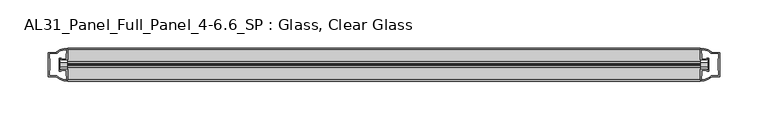
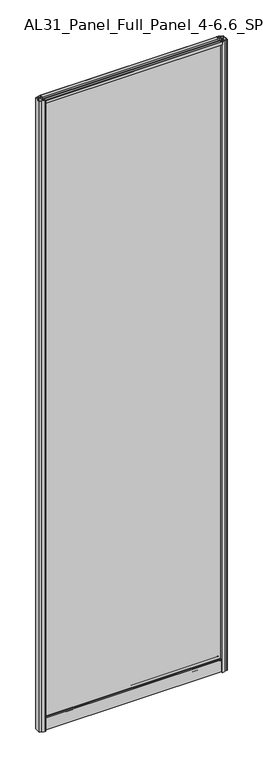
"""IFC4 building model written with IfcOpenShell, lengths in millimetres: plate geometry, AL31_Panel_Full_Panel_4-6.6_SP : Glass, Clear Glass."""

from ifc_helpers import new_model, si_unit, point, frame, frame_2d, origin, origin_with_axes, place, context, project, spatial, polyline, circle_curve, trimmed, segment, composite_curve, outline, extrude, source, transform, mapped, element, save


def al31_panel_full_panel_4_6_6_sp_glass_clear_glass_65c23ff5(model_context):
    return source(origin(), model_context, "Body", "SweptSolid", [
        extrude(outline(composite_curve([segment(polyline([(-1.4, 2468.8980762), (-0.85, 2467.9454483)]), True, "CONTINUOUS"), segment(trimmed(circle_curve(frame_2d((0.1, 2466.3)), 1.9), [point((-0.85, 2467.9454483))], [point((1.05, 2467.9454483))], True, "CARTESIAN"), True, "CONTINUOUS"), segment(polyline([(1.05, 2467.9454483), (1.6, 2468.8980762)]), True, "CONTINUOUS"), segment(trimmed(circle_curve(frame_2d((0.1, 2466.3)), 3.0), [point((1.6, 2468.8980762))], [point((2.5718414, 2464.6))], False, "CARTESIAN"), True, "CONTINUOUS"), segment(polyline([(2.5718414, 2464.6), (15.7, 2464.6), (15.7, 2474.0), (17.0, 2474.0), (17.0, 2463.5), (6.7024688, 2463.5), (6.7024688, 2462.7), (6.1968782, 2460.7785039), (6.1968782, 2456.1), (5.0, 2456.1), (5.0, 2461.4339746), (5.5, 2462.3), (5.5, 2463.5), (-5.5, 2463.5), (-5.5, 2462.3), (-5.0, 2461.4339746), (-5.0, 2456.1), (-6.1968782, 2456.1), (-6.1968782, 2460.7785039), (-6.7024688, 2462.7), (-6.7024688, 2463.5), (-17.0, 2463.5), (-17.0, 2474.0), (-15.7, 2474.0), (-15.7, 2464.6), (-2.3718414, 2464.6)]), True, "CONTINUOUS"), segment(trimmed(circle_curve(frame_2d((0.1, 2466.3)), 3.0), [point((-2.3718414, 2464.6))], [point((-1.4, 2468.8980762))], False, "CARTESIAN"), True, "CONTINUOUS")], self_intersect=False)), frame((-328.0405526, 0.0, 0.0), z_axis=(1.0, 0.0, 0.0), x_axis=(0.0, 1.0, 0.0)), (0.0, 0.0, 1.0), 656.0811053),
        extrude(outline(composite_curve([segment(polyline([(-335.881974, -5.9), (-334.681974, -5.9), (-334.681974, -5.0), (-328.0405526, -5.0), (-328.0405526, -17.0001453)]), True, "CONTINUOUS"), segment(trimmed(circle_curve(frame_2d((-327.675901, 2.9965302)), 20.0), [point((-328.0405526, -17.0001453))], [point((-339.3963879, -13.2093388))], False, "CARTESIAN"), True, "CONTINUOUS"), segment(polyline([(-339.3963879, -13.2093388), (-339.3963879, -12.3279343), (-348.0405526, -12.3279343), (-348.0405526, 12.3720657), (-339.3963879, 12.3720657), (-339.3963879, 13.2095249)]), True, "CONTINUOUS"), segment(trimmed(circle_curve(frame_2d((-327.675901, -2.9963441)), 20.0), [point((-339.3963879, 13.2095249))], [point((-328.0405526, 17.0003314))], False, "CARTESIAN"), True, "CONTINUOUS"), segment(polyline([(-328.0405526, 17.0003314), (-328.0405526, 5.0), (-334.681974, 5.0), (-334.681974, 5.9), (-335.881974, 5.9), (-335.881974, -5.9)]), True, "CONTINUOUS")], self_intersect=False), holes=[composite_curve([segment(trimmed(circle_curve(frame_2d((-334.881974, 5.7)), 1.5), [point((-334.881974, 7.2))], [point((-333.5267197, 6.3428731))], False, "CARTESIAN"), True, "CONTINUOUS"), segment(polyline([(-333.5267197, 6.3428731), (-329.781974, 6.3428731), (-329.781974, 10.939223), (-329.3426342, 11.9998832), (-329.3426342, 15.6499817)]), True, "CONTINUOUS"), segment(trimmed(circle_curve(frame_2d((-327.675901, -2.9755921)), 18.7), [point((-329.3426342, 15.6499817))], [point((-337.6826788, 12.8216987))], True, "CARTESIAN"), True, "CONTINUOUS"), segment(trimmed(circle_curve(frame_2d((-339.481974, 12.8720657)), 1.8), [point((-337.6826788, 12.8216987))], [point((-339.481974, 11.0720657))], False, "CARTESIAN"), True, "CONTINUOUS"), segment(polyline([(-339.481974, 11.0720657), (-346.6233953, 11.0720657), (-346.6233953, 6.5019606), (-346.181974, 5.439223), (-346.181974, -5.3950916), (-346.681974, -6.3879987), (-346.681974, -11.0279343), (-339.481974, -11.0279343)]), True, "CONTINUOUS"), segment(trimmed(circle_curve(frame_2d((-339.481974, -12.8279343)), 1.8), [point((-339.481974, -11.0279343))], [point((-337.6826788, -12.7775673))], False, "CARTESIAN"), True, "CONTINUOUS"), segment(trimmed(circle_curve(frame_2d((-327.675901, 3.0197235)), 18.7), [point((-337.6826788, -12.7775673))], [point((-329.3426342, -15.6058503))], True, "CARTESIAN"), True, "CONTINUOUS"), segment(polyline([(-329.3426342, -15.6058503), (-329.3426342, -11.9557518), (-329.781974, -10.8950916), (-329.781974, -6.2991308), (-333.5068223, -6.2991308)]), True, "CONTINUOUS"), segment(trimmed(circle_curve(frame_2d((-334.881974, -5.7)), 1.5), [point((-333.5068223, -6.2991308))], [point((-334.881974, -7.2))], False, "CARTESIAN"), True, "CONTINUOUS"), segment(polyline([(-334.881974, -7.2), (-337.181974, -7.2), (-337.181974, 7.2), (-334.881974, 7.2)]), True, "CONTINUOUS")], self_intersect=False)]), origin_with_axes(), (0.0, 0.0, 1.0), 2474.0),
        extrude(outline(composite_curve([segment(polyline([(335.881974, 5.9), (334.681974, 5.9), (334.681974, 5.0), (328.0405526, 5.0), (328.0405526, 17.0001453)]), True, "CONTINUOUS"), segment(trimmed(circle_curve(frame_2d((327.675901, -2.9965302)), 20.0), [point((328.0405526, 17.0001453))], [point((339.3963879, 13.2093388))], False, "CARTESIAN"), True, "CONTINUOUS"), segment(polyline([(339.3963879, 13.2093388), (339.3963879, 12.3279343), (348.0405526, 12.3279343), (348.0405526, -12.3720657), (339.3963879, -12.3720657), (339.3963879, -13.2095249)]), True, "CONTINUOUS"), segment(trimmed(circle_curve(frame_2d((327.675901, 2.9963441)), 20.0), [point((339.3963879, -13.2095249))], [point((328.0405526, -17.0003314))], False, "CARTESIAN"), True, "CONTINUOUS"), segment(polyline([(328.0405526, -17.0003314), (328.0405526, -5.0), (334.681974, -5.0), (334.681974, -5.9), (335.881974, -5.9), (335.881974, 5.9)]), True, "CONTINUOUS")], self_intersect=False), holes=[composite_curve([segment(trimmed(circle_curve(frame_2d((334.881974, -5.7)), 1.5), [point((334.881974, -7.2))], [point((333.5267197, -6.3428731))], False, "CARTESIAN"), True, "CONTINUOUS"), segment(polyline([(333.5267197, -6.3428731), (329.781974, -6.3428731), (329.781974, -10.939223), (329.3426342, -11.9998832), (329.3426342, -15.6499817)]), True, "CONTINUOUS"), segment(trimmed(circle_curve(frame_2d((327.675901, 2.9755921)), 18.7), [point((329.3426342, -15.6499817))], [point((337.6826788, -12.8216987))], True, "CARTESIAN"), True, "CONTINUOUS"), segment(trimmed(circle_curve(frame_2d((339.481974, -12.8720657)), 1.8), [point((337.6826788, -12.8216987))], [point((339.481974, -11.0720657))], False, "CARTESIAN"), True, "CONTINUOUS"), segment(polyline([(339.481974, -11.0720657), (346.6233953, -11.0720657), (346.6233953, -6.5019606), (346.181974, -5.439223), (346.181974, 5.3950916), (346.681974, 6.3879987), (346.681974, 11.0279343), (339.481974, 11.0279343)]), True, "CONTINUOUS"), segment(trimmed(circle_curve(frame_2d((339.481974, 12.8279343)), 1.8), [point((339.481974, 11.0279343))], [point((337.6826788, 12.7775673))], False, "CARTESIAN"), True, "CONTINUOUS"), segment(trimmed(circle_curve(frame_2d((327.675901, -3.0197235)), 18.7), [point((337.6826788, 12.7775673))], [point((329.3426342, 15.6058503))], True, "CARTESIAN"), True, "CONTINUOUS"), segment(polyline([(329.3426342, 15.6058503), (329.3426342, 11.9557518), (329.781974, 10.8950916), (329.781974, 6.2991308), (333.5068223, 6.2991308)]), True, "CONTINUOUS"), segment(trimmed(circle_curve(frame_2d((334.881974, 5.7)), 1.5), [point((333.5068223, 6.2991308))], [point((334.881974, 7.2))], False, "CARTESIAN"), True, "CONTINUOUS"), segment(polyline([(334.881974, 7.2), (337.181974, 7.2), (337.181974, -7.2), (334.881974, -7.2)]), True, "CONTINUOUS")], self_intersect=False)]), origin_with_axes(), (0.0, 0.0, 1.0), 2474.0),
        extrude(outline(composite_curve([segment(trimmed(circle_curve(frame_2d((-8.4, 34.8)), 1.0), [point((-8.4, 35.8))], [point((-9.4, 34.8))], True, "CARTESIAN"), True, "CONTINUOUS"), segment(polyline([(-9.4, 34.8), (-9.4, 33.5), (-5.0000303, 33.5), (-5.0000303, 32.3), (-9.4, 32.3), (-9.4, 0.0), (-10.6, 0.0), (-10.6, 47.3)]), True, "CONTINUOUS"), segment(trimmed(circle_curve(frame_2d((-8.6, 47.3)), 2.0), [point((-10.6, 47.3))], [point((-8.6, 49.3))], False, "CARTESIAN"), True, "CONTINUOUS"), segment(polyline([(-8.6, 49.3), (-5.0, 49.3), (-5.0, 41.9), (5.0, 41.9), (5.0, 49.3), (8.6, 49.3)]), True, "CONTINUOUS"), segment(trimmed(circle_curve(frame_2d((8.6, 47.3)), 2.0), [point((8.6, 49.3))], [point((10.6, 47.3))], False, "CARTESIAN"), True, "CONTINUOUS"), segment(polyline([(10.6, 47.3), (10.6, 0.0), (9.4, 0.0), (9.4, 32.3), (4.9999697, 32.3), (4.9999697, 33.5), (9.4, 33.5), (9.4, 34.8)]), True, "CONTINUOUS"), segment(trimmed(circle_curve(frame_2d((8.4, 34.8)), 1.0), [point((9.4, 34.8))], [point((8.4, 35.8))], True, "CARTESIAN"), True, "CONTINUOUS"), segment(polyline([(8.4, 35.8), (-8.4, 35.8)]), True, "CONTINUOUS")], self_intersect=False), holes=[composite_curve([segment(trimmed(circle_curve(frame_2d((5.5024688, 41.8)), 1.0), [point((6.5024688, 41.8))], [point((5.5024688, 40.8))], False, "CARTESIAN"), True, "CONTINUOUS"), segment(polyline([(5.5024688, 40.8), (2.8008965, 40.8), (2.8008965, 39.7274194), (1.8370508, 39.7274194)]), True, "CONTINUOUS"), segment(trimmed(circle_curve(frame_2d((0.0, 38.7)), 2.1048387), [point((1.8370508, 39.7274194))], [point((-1.8370508, 39.7274194))], True, "CARTESIAN"), True, "CONTINUOUS"), segment(polyline([(-1.8370508, 39.7274194), (-2.8008965, 39.7274194), (-2.8008965, 40.8), (-5.5024688, 40.8)]), True, "CONTINUOUS"), segment(trimmed(circle_curve(frame_2d((-5.5024688, 41.8)), 1.0), [point((-5.5024688, 40.8))], [point((-6.5024688, 41.8))], False, "CARTESIAN"), True, "CONTINUOUS"), segment(polyline([(-6.5024688, 41.8), (-6.5024688, 42.7)]), True, "CONTINUOUS"), segment(trimmed(circle_curve(frame_2d((-5.3024688, 42.7)), 1.2), [point((-6.5024688, 42.7))], [point((-6.1198184, 43.5786009))], False, "CARTESIAN"), True, "CONTINUOUS"), segment(polyline([(-6.1198184, 43.5786009), (-6.1198184, 48.2), (-8.4, 48.2)]), True, "CONTINUOUS"), segment(trimmed(circle_curve(frame_2d((-8.4, 47.2)), 1.0), [point((-8.4, 48.2))], [point((-9.4, 47.2))], True, "CARTESIAN"), True, "CONTINUOUS"), segment(polyline([(-9.4, 47.2), (-9.4, 37.04), (-2.8008965, 37.04), (-2.8008965, 38.0725806), (-1.8370508, 38.0725806)]), True, "CONTINUOUS"), segment(trimmed(circle_curve(frame_2d((0.0, 39.1)), 2.1048387), [point((-1.8370508, 38.0725806))], [point((1.8370508, 38.0725806))], True, "CARTESIAN"), True, "CONTINUOUS"), segment(polyline([(1.8370508, 38.0725806), (2.8008965, 38.0725806), (2.8008965, 37.04), (9.4, 37.04), (9.4, 47.2)]), True, "CONTINUOUS"), segment(trimmed(circle_curve(frame_2d((8.4, 47.2)), 1.0), [point((9.4, 47.2))], [point((8.4, 48.2))], True, "CARTESIAN"), True, "CONTINUOUS"), segment(polyline([(8.4, 48.2), (6.1198184, 48.2), (6.1198184, 43.7786009)]), True, "CONTINUOUS"), segment(trimmed(circle_curve(frame_2d((5.3024688, 42.9)), 1.2), [point((6.1198184, 43.7786009))], [point((6.5024688, 42.9))], False, "CARTESIAN"), True, "CONTINUOUS"), segment(polyline([(6.5024688, 42.9), (6.5024688, 41.8)]), True, "CONTINUOUS")], self_intersect=False)]), frame((-328.0405526, 0.0, 0.0), z_axis=(1.0, 0.0, 0.0), x_axis=(0.0, 1.0, 0.0)), (0.0, 0.0, 1.0), 656.0811053),
        extrude(outline(polyline([(335.881974, 2.0), (335.881974, -2.0), (-335.881974, -2.0), (-335.881974, 2.0), (335.881974, 2.0)])), frame((0.0, 0.0, 41.9), z_axis=(0.0, 0.0, 1.0), x_axis=(1.0, 0.0, 0.0)), (0.0, 0.0, 1.0), 2421.6),
    ])


if __name__ == "__main__":
    model = new_model("IFC4")
    model_context = context("Model", 3, world=origin())
    ifc_project = project(units=[si_unit("LENGTHUNIT", "METRE", prefix="MILLI")], contexts=[model_context])
    site = spatial("IfcSite", under=ifc_project)
    building = spatial("IfcBuilding", under=site)
    placement = place(None, origin())
    al31_panel_full_panel_4_6_6_sp_glass_clear_glass_shape = al31_panel_full_panel_4_6_6_sp_glass_clear_glass_65c23ff5(model_context)
    element("IfcPlate", 1, ObjectType="AL31_Panel_Full_Panel_4-6.6_SP : Glass, Clear Glass", at=placement, inside=building, context=model_context, shape_type="MappedRepresentation", body=[
        mapped(al31_panel_full_panel_4_6_6_sp_glass_clear_glass_shape, transform((0.0, 0.0, 0.0), x_axis=(1.0, 0.0, 0.0), y_axis=(0.0, 1.0, 0.0), z_axis=(0.0, 0.0, 1.0))),
    ])
    save(model, "model.ifc")
